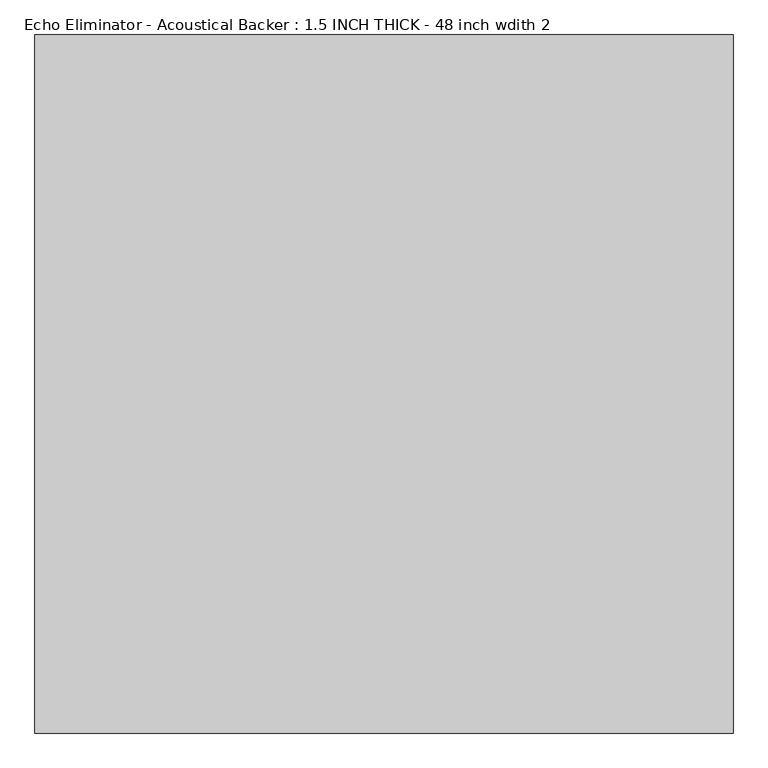
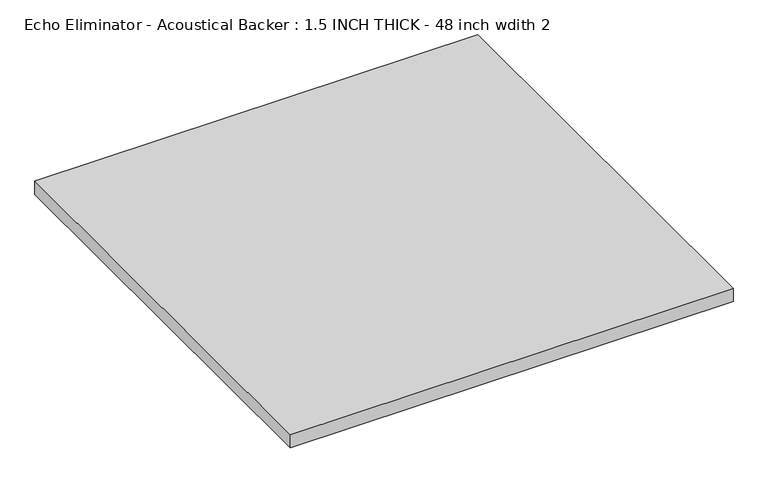
"""IFC4 building model written with IfcOpenShell, lengths in millimetres: proxy geometry, Echo Eliminator - Acoustical Backer : 1.5 INCH THICK - 48 inch wdith 2."""

import ifcopenshell
import ifcopenshell.guid

model = None  # the IFC model being written
_history = None  # IfcOwnerHistory: only IFC2X3 demands one
_inside = {}  # id of a spatial element -> (the spatial element, [elements in it])
_under = {}  # id of a project, library or spatial element -> (it, [spatial elements below it])
_declared = {}  # id of a project -> (the project, [libraries it declares])
_typed = {}  # id of a type object -> (the type object, [elements of that type])
_made_of = {}  # id of a material, layer set ... -> (it, [elements and type objects made of it])


def new_model(schema):
    """Start an empty IFC model of exactly this schema.

    Asked for "IFC4X3", IfcOpenShell would pick the latest addendum, in which some entities
    have other attributes; the version numbers below select the first issue.
    IFC2X3 requires an IfcOwnerHistory on every rooted entity: one is made here for all.
    """
    global model, _history
    if schema == "IFC4X3":
        model = ifcopenshell.file(schema_version=(4, 3, 0, 0))
    else:
        model = ifcopenshell.file(schema=schema)
    _inside.clear()
    _under.clear()
    _declared.clear()
    _typed.clear()
    _made_of.clear()
    _history = None
    if model.schema == "IFC2X3":
        org = make("IfcOrganization", Name="unknown")
        user = make(
            "IfcPersonAndOrganization",
            ThePerson=make("IfcPerson", FamilyName="unknown"),
            TheOrganization=org,
        )
        app = make(
            "IfcApplication",
            ApplicationDeveloper=org,
            Version="unknown",
            ApplicationFullName="unknown",
            ApplicationIdentifier="unknown",
        )
        _history = make(
            "IfcOwnerHistory",
            OwningUser=user,
            OwningApplication=app,
            ChangeAction="ADDED",
            CreationDate=0,
        )
    return model


def make(cls, **values):
    """One entity of the class cls with the attributes given. An attribute that is None is left unset."""
    return model.create_entity(
        cls, **{name: value for name, value in values.items() if value is not None}
    )


def rooted(cls, **values):
    """An entity with a GlobalId (a new one), such as an element, a storey or a relation."""
    return make(cls, GlobalId=ifcopenshell.guid.new(), OwnerHistory=_history, **values)


def si_unit(unit_type, name, prefix=None):
    """IfcSIUnit, for example si_unit("LENGTHUNIT", "METRE", prefix="MILLI")."""
    return make("IfcSIUnit", UnitType=unit_type, Prefix=prefix, Name=name)


def assignment(units):
    """IfcUnitAssignment: the units of a project."""
    return None if units is None else make("IfcUnitAssignment", Units=units)


def point(xyz):
    """IfcCartesianPoint."""
    return None if xyz is None else make("IfcCartesianPoint", Coordinates=xyz)


def direction(xyz):
    """IfcDirection."""
    return None if xyz is None else make("IfcDirection", DirectionRatios=xyz)


def frame(location, z_axis=None, x_axis=None):
    """IfcAxis2Placement3D, a coordinate frame: its origin and axes. An axis left out is left unset."""
    return make(
        "IfcAxis2Placement3D",
        Location=point(location),
        Axis=direction(z_axis),
        RefDirection=direction(x_axis),
    )


def origin():
    """The frame at (0, 0, 0) with its axes left unset."""
    return frame((0.0, 0.0, 0.0))


def origin_with_axes():
    """The frame at (0, 0, 0) with the z axis (0, 0, 1) and the x axis (1, 0, 0) written out."""
    return frame((0.0, 0.0, 0.0), z_axis=(0.0, 0.0, 1.0), x_axis=(1.0, 0.0, 0.0))


def place(relative_to, where):
    """IfcLocalPlacement: puts the frame where relative to a parent placement (None: the world)."""
    return make(
        "IfcLocalPlacement", PlacementRelTo=relative_to, RelativePlacement=where
    )


def context(
    kind, dimensions, precision=None, world=None, true_north=None, identifier=None
):
    """IfcGeometricRepresentationContext, for example the 3D "Model" context."""
    return make(
        "IfcGeometricRepresentationContext",
        ContextIdentifier=identifier,
        ContextType=kind,
        CoordinateSpaceDimension=dimensions,
        Precision=precision,
        WorldCoordinateSystem=world,
        TrueNorth=true_north,
    )


def project(units=None, contexts=None):
    """IfcProject with its units and contexts."""
    return rooted(
        "IfcProject",
        Name="project",
        RepresentationContexts=contexts,
        UnitsInContext=assignment(units),
    )


def spatial(cls, under=None, at=None, **own):
    """A site, building, storey or space (cls), placed at a placement, below another one or the project."""
    s = rooted(cls, ObjectPlacement=at, **own)
    if under is not None:
        _under.setdefault(under.id(), (under, []))[1].append(s)
    return s


def polyline(points):
    """IfcPolyline through the points."""
    return make("IfcPolyline", Points=[point(p) for p in points])


def outline(outer, holes=None, kind="AREA"):
    """IfcArbitraryClosedProfileDef: a profile drawn as a closed curve; with holes, ...WithVoids."""
    if holes is None:
        return make("IfcArbitraryClosedProfileDef", ProfileType=kind, OuterCurve=outer)
    return make(
        "IfcArbitraryProfileDefWithVoids",
        ProfileType=kind,
        OuterCurve=outer,
        InnerCurves=holes,
    )


def extrude(swept, where, along, depth):
    """IfcExtrudedAreaSolid: the profile swept, set in the frame where, extruded along a direction by depth."""
    return make(
        "IfcExtrudedAreaSolid",
        SweptArea=swept,
        Position=where,
        ExtrudedDirection=direction(along),
        Depth=depth,
    )


def shape(context_of_items, identifier, shape_type, items):
    """IfcShapeRepresentation: the items that make up one representation, for example the "Body"."""
    return make(
        "IfcShapeRepresentation",
        ContextOfItems=context_of_items,
        RepresentationIdentifier=identifier,
        RepresentationType=shape_type,
        Items=items,
    )


def source(mapping_origin, context_of_items, identifier, shape_type, items):
    """IfcRepresentationMap: a shape defined once, which mapped items show again and again."""
    return make(
        "IfcRepresentationMap",
        MappingOrigin=mapping_origin,
        MappedRepresentation=shape(context_of_items, identifier, shape_type, items),
    )


def transform(
    local_origin,
    x_axis=None,
    y_axis=None,
    z_axis=None,
    scale=None,
    scale2=None,
    scale3=None,
    uniform=True,
):
    """IfcCartesianTransformationOperator3D, or its non-uniform kind. x_axis, y_axis, z_axis: its Axis1, 2, 3."""
    if uniform:
        return make(
            "IfcCartesianTransformationOperator3D",
            Axis1=direction(x_axis),
            Axis2=direction(y_axis),
            LocalOrigin=point(local_origin),
            Scale=scale,
            Axis3=direction(z_axis),
        )
    return make(
        "IfcCartesianTransformationOperator3DnonUniform",
        Axis1=direction(x_axis),
        Axis2=direction(y_axis),
        LocalOrigin=point(local_origin),
        Scale=scale,
        Axis3=direction(z_axis),
        Scale2=scale2,
        Scale3=scale3,
    )


def mapped(mapping_source, mapping_target):
    """IfcMappedItem: shows the shape of a source again, moved by a transform."""
    return make(
        "IfcMappedItem", MappingSource=mapping_source, MappingTarget=mapping_target
    )


def made_of(thing, what):
    """Note that an element or type object is made of a material, layer set ...; save() writes the relation."""
    if what is not None:
        _made_of.setdefault(what.id(), (what, []))[1].append(thing)
    return thing


def element(
    cls,
    number,
    at=None,
    inside=None,
    cuts=None,
    type_object=None,
    material=None,
    context=None,
    identifier="Body",
    shape_type=None,
    held_by="IfcProductDefinitionShape",
    body=None,
    shapes=None,
    **own,
):
    """One element of the class cls, such as IfcWall. Its Tag is "e" and its number.

    at: its placement. inside: the storey or other place that contains it. cuts: it is an
    opening in that element (IfcRelVoidsElement). A single representation is given by context,
    identifier, shape_type and body (its items); several are given by shapes. held_by: the class
    of the entity that holds the representations. save() writes the other relations.
    """
    e = rooted(cls, Tag="e%d" % number, ObjectPlacement=at, **own)
    if body is not None:
        shapes = [shape(context, identifier, shape_type, body)]
    if shapes is not None:
        e.Representation = make(held_by, Representations=shapes)
    if inside is not None:
        _inside.setdefault(inside.id(), (inside, []))[1].append(e)
    if cuts is not None:
        rooted(
            "IfcRelVoidsElement", RelatingBuildingElement=cuts, RelatedOpeningElement=e
        )
    if type_object is not None:
        _typed.setdefault(type_object.id(), (type_object, []))[1].append(e)
    return made_of(e, material)


def aggregate(whole, parts):
    """IfcRelAggregates: a whole, such as a stair, and the parts it consists of."""
    return rooted("IfcRelAggregates", RelatingObject=whole, RelatedObjects=parts)


def save(model, path):
    """Write the relations noted so far, then the file.

    IfcRelAggregates (storeys below a building ...), IfcRelContainedInSpatialStructure (elements
    in a storey), IfcRelDefinesByType, IfcRelAssociatesMaterial and IfcRelDeclares: one each for
    every whole, place, type object, material and project.
    """
    for whole, parts in _under.values():
        aggregate(whole, parts)
    for where, things in _inside.values():
        rooted(
            "IfcRelContainedInSpatialStructure",
            RelatedElements=things,
            RelatingStructure=where,
        )
    for kind, things in _typed.values():
        rooted("IfcRelDefinesByType", RelatedObjects=things, RelatingType=kind)
    for what, things in _made_of.values():
        rooted("IfcRelAssociatesMaterial", RelatedObjects=things, RelatingMaterial=what)
    for by, libraries in _declared.values():
        rooted("IfcRelDeclares", RelatingContext=by, RelatedDefinitions=libraries)
    model.write(path)


def echo_eliminator_acoustical_backer_1_5_inch_thick_48_inch_a11e4124(model_context):
    return source(origin(), model_context, "Body", "SweptSolid", [
        extrude(outline(polyline([(-609.6, 609.6), (609.6, 609.6), (609.6, -609.6), (-609.6, -609.6), (-609.6, 609.6)])), origin_with_axes(), (0.0, 0.0, 1.0), 38.1),
    ])


if __name__ == "__main__":
    model = new_model("IFC4")
    model_context = context("Model", 3, world=origin())
    ifc_project = project(units=[si_unit("LENGTHUNIT", "METRE", prefix="MILLI")], contexts=[model_context])
    site = spatial("IfcSite", under=ifc_project)
    building = spatial("IfcBuilding", under=site)
    placement = place(None, origin())
    echo_eliminator_acoustical_backer_1_5_inch_thick_48_inch_shape = echo_eliminator_acoustical_backer_1_5_inch_thick_48_inch_a11e4124(model_context)
    element("IfcBuildingElementProxy", 1, Name="Echo Eliminator - Acoustical Backer : 1.5 INCH THICK - 48 inch wdith 2", ObjectType="Echo Eliminator - Acoustical Backer : 1.5 INCH THICK - 48 inch wdith 2", at=placement, inside=building, context=model_context, shape_type="MappedRepresentation", body=[
        mapped(echo_eliminator_acoustical_backer_1_5_inch_thick_48_inch_shape, transform((0.0, 0.0, 0.0), x_axis=(1.0, 0.0, 0.0), y_axis=(0.0, 1.0, 0.0), z_axis=(0.0, 0.0, 1.0))),
    ])
    save(model, "model.ifc")
